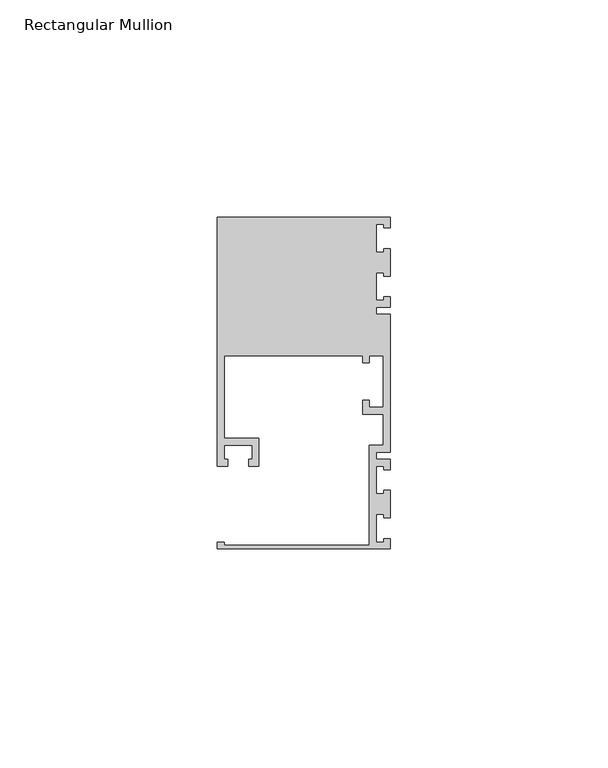
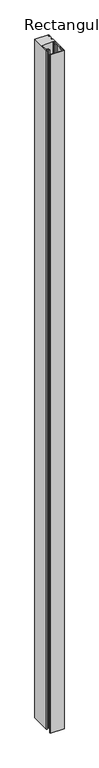
"""IFC4 building model written with IfcOpenShell, lengths in millimetres: member geometry, Rectangular Mullion."""

from ifc_helpers import new_model, si_unit, frame, origin, place, context, project, spatial, polyline, outline, extrude, source, transform, mapped, element, save


def rectangular_mullion_fd2df026(model_context):
    return source(origin(), model_context, "Body", "SweptSolid", [
        extrude(outline(polyline([(0.0, -38.1), (-39.6875, -38.1), (-39.6875, -36.5125), (-38.1, -36.5125), (-38.1, -37.30625), (-4.7625, -37.30625), (-4.7625, -14.2875), (-1.5875, -14.2875), (-1.5875, -7.14375), (-6.35, -7.14375), (-6.35, -3.96875), (-4.7625, -3.96875), (-4.7625, -5.55625), (-1.5875, -5.55625), (-1.5875, 6.35), (-4.7625, 6.35), (-4.7625, 4.7625), (-6.35, 4.7625), (-6.35, 6.35), (-38.1, 6.35), (-38.1, -12.7), (-30.1625, -12.7), (-30.1625, -19.05), (-32.54375, -19.05), (-32.54375, -17.4625), (-31.75, -17.4625), (-31.75, -14.2875), (-38.1, -14.2875), (-38.1, -17.4625), (-37.30625, -17.4625), (-37.30625, -19.05), (-39.6875, -19.05), (-39.6875, 38.1), (0.0, 38.1), (0.0, 35.71875), (-1.4999946, 35.71875), (-1.4999946, 36.5125), (-3.175, 36.5125), (-3.175, 30.1625), (-1.4999946, 30.1625), (-1.4999946, 30.95625), (0.0, 30.95625), (0.0, 24.60625), (-1.4999946, 24.60625), (-1.4999946, 25.4), (-3.175, 25.4), (-3.175, 19.05), (-1.4999946, 19.05), (-1.4999946, 19.84375), (0.0, 19.84375), (0.0, 17.4625), (-3.175, 17.4625), (-3.175, 15.875), (0.0, 15.875), (0.0, -15.875), (-3.175, -15.875), (-3.175, -17.4625), (0.0, -17.4625), (0.0, -19.84375), (-1.4999946, -19.84375), (-1.4999946, -19.05), (-3.175, -19.05), (-3.175, -25.4), (-1.4999946, -25.4), (-1.4999946, -24.60625), (0.0, -24.60625), (0.0, -30.95625), (-1.4999946, -30.95625), (-1.4999946, -30.1625), (-3.175, -30.1625), (-3.175, -36.5125), (-1.4999946, -36.5125), (-1.4999946, -35.71875), (0.0, -35.71875), (0.0, -38.1)])), frame((0.0, 0.0, -2057.4), z_axis=(0.0, 0.0, 1.0), x_axis=(1.0, 0.0, 0.0)), (0.0, 0.0, 1.0), 2057.4),
    ])


if __name__ == "__main__":
    model = new_model("IFC4")
    model_context = context("Model", 3, world=origin())
    ifc_project = project(units=[si_unit("LENGTHUNIT", "METRE", prefix="MILLI")], contexts=[model_context])
    site = spatial("IfcSite", under=ifc_project)
    building = spatial("IfcBuilding", under=site)
    placement = place(None, origin())
    rectangular_mullion_shape = rectangular_mullion_fd2df026(model_context)
    element("IfcMember", 1, ObjectType="Rectangular Mullion", at=placement, inside=building, context=model_context, shape_type="MappedRepresentation", body=[
        mapped(rectangular_mullion_shape, transform((0.0, 0.0, 0.0), x_axis=(1.0, 0.0, 0.0), y_axis=(0.0, 1.0, 0.0), z_axis=(0.0, 0.0, 1.0))),
    ])
    save(model, "model.ifc")
